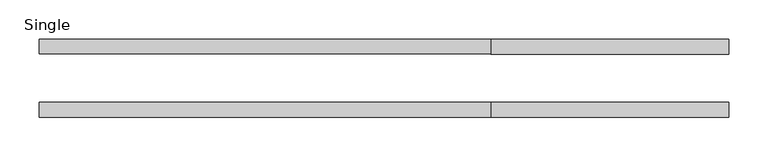
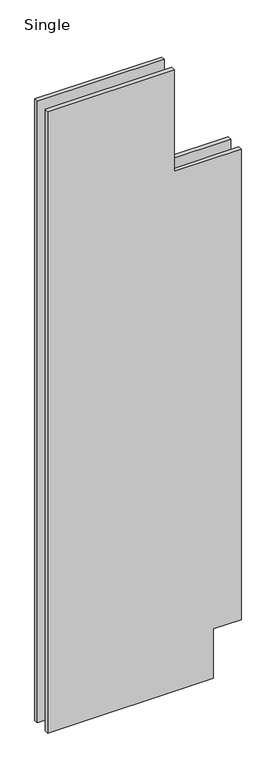
"""IFC4 building model written with IfcOpenShell, lengths in millimetres: plate geometry, Single."""

from ifc_helpers import new_model, si_unit, frame, origin, place, context, project, spatial, polyline, outline, extrude, source, transform, mapped, element, save


def single_c513470a(model_context):
    return source(origin(), model_context, "Body", "SweptSolid", [
        extrude(outline(polyline([(15.875, -441.6008998), (15.875, 314.6008998), (254.0, 314.6008998), (254.0, 441.6008998), (2524.1250001, 441.6008998), (2524.1250001, 136.8008998), (3015.4118001, 136.8008998), (3015.4118001, -441.6008998), (15.875, -441.6008998)])), frame((0.0, 30.9891455, 0.0), z_axis=(0.0, 1.0, 0.0), x_axis=(0.0, 0.0, 1.0)), (0.0, 0.0, 1.0), 19.05),
        extrude(outline(polyline([(15.875, -441.6008998), (15.875, 314.6008998), (254.0, 314.6008998), (254.0, 441.6008998), (2524.1250001, 441.6008998), (2524.1250001, 136.8008998), (3015.4118001, 136.8008998), (3015.4118001, -441.6008998), (15.875, -441.6008998)])), frame((0.0, -50.0368545, 0.0), z_axis=(0.0, 1.0, 0.0), x_axis=(0.0, 0.0, 1.0)), (0.0, 0.0, 1.0), 19.05),
    ])


if __name__ == "__main__":
    model = new_model("IFC4")
    model_context = context("Model", 3, world=origin())
    ifc_project = project(units=[si_unit("LENGTHUNIT", "METRE", prefix="MILLI")], contexts=[model_context])
    site = spatial("IfcSite", under=ifc_project)
    building = spatial("IfcBuilding", under=site)
    placement = place(None, origin())
    single_shape = single_c513470a(model_context)
    element("IfcPlate", 1, ObjectType="Single", at=placement, inside=building, context=model_context, shape_type="MappedRepresentation", body=[
        mapped(single_shape, transform((0.0, 0.0, 0.0), x_axis=(1.0, 0.0, 0.0), y_axis=(0.0, 1.0, 0.0), z_axis=(0.0, 0.0, 1.0))),
    ])
    save(model, "model.ifc")
